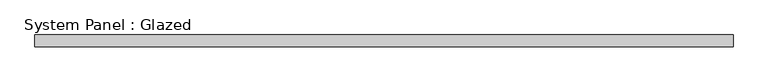
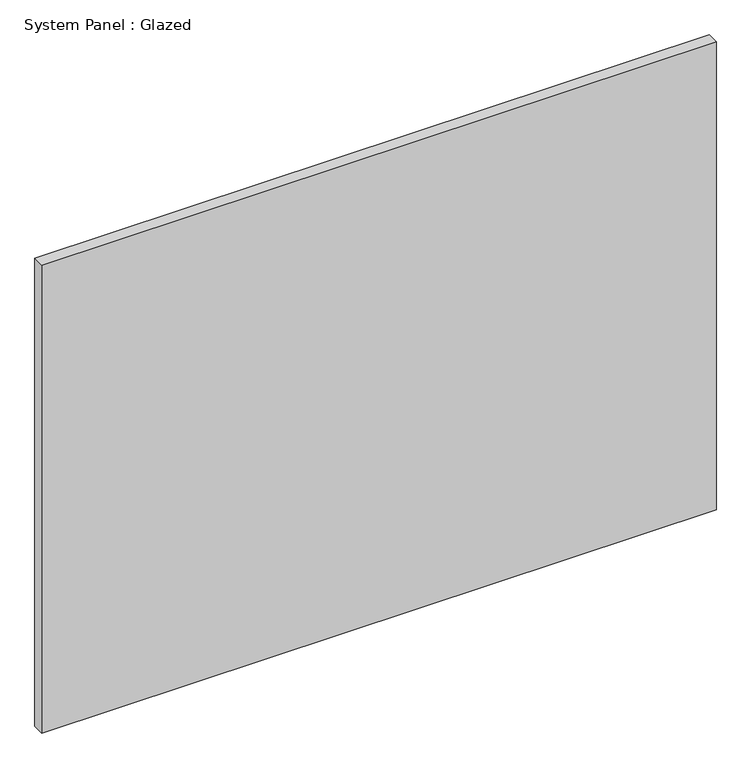
"""IFC4 building model written with IfcOpenShell, lengths in millimetres: plate geometry, System Panel : Glazed."""

from ifc_helpers import new_model, si_unit, origin, origin_with_axes, place, context, project, spatial, polyline, outline, extrude, source, transform, mapped, element, save


def system_panel_glazed_07b13049(model_context):
    return source(origin(), model_context, "Body", "SweptSolid", [
        extrude(outline(polyline([(736.6, -12.7), (-736.6, -12.7), (-736.6, 12.7), (736.6, 12.7), (736.6, -12.7)])), origin_with_axes(), (0.0, 0.0, 1.0), 1080.0),
    ])


if __name__ == "__main__":
    model = new_model("IFC4")
    model_context = context("Model", 3, world=origin())
    ifc_project = project(units=[si_unit("LENGTHUNIT", "METRE", prefix="MILLI")], contexts=[model_context])
    site = spatial("IfcSite", under=ifc_project)
    building = spatial("IfcBuilding", under=site)
    placement = place(None, origin())
    system_panel_glazed_shape = system_panel_glazed_07b13049(model_context)
    element("IfcPlate", 1, ObjectType="System Panel : Glazed", at=placement, inside=building, context=model_context, shape_type="MappedRepresentation", body=[
        mapped(system_panel_glazed_shape, transform((0.0, 0.0, 0.0), x_axis=(1.0, 0.0, 0.0), y_axis=(0.0, 1.0, 0.0), z_axis=(0.0, 0.0, 1.0))),
    ])
    save(model, "model.ifc")
